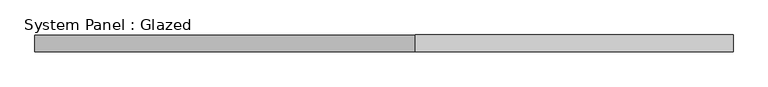
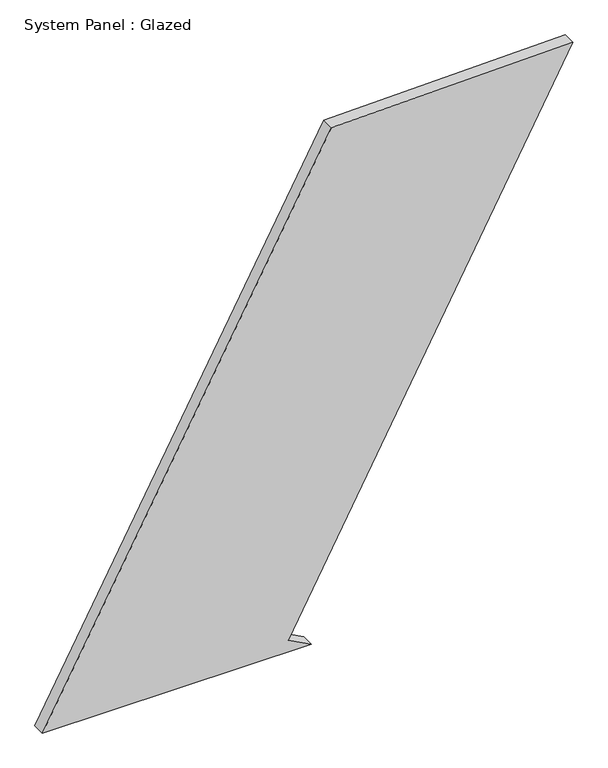
"""IFC4 building model written with IfcOpenShell, lengths in millimetres: plate geometry, System Panel : Glazed."""

from ifc_helpers import new_model, si_unit, frame, origin, place, context, project, spatial, polyline, outline, extrude, source, transform, mapped, element, save


def system_panel_glazed_dff83c22(model_context):
    return source(origin(), model_context, "Body", "SweptSolid", [
        extrude(outline(polyline([(0.0, -515.3244924), (0.0, 6.8236277), (23.5545341, -37.2806116), (1058.2694494, 515.3244924), (1047.3439938, 46.2443935), (0.0, -515.3244924)])), frame((0.0, -49.5, 0.0), z_axis=(0.0, 1.0, 0.0), x_axis=(0.0, 0.0, 1.0)), (0.0, 0.0, 1.0), 25.0),
    ])


if __name__ == "__main__":
    model = new_model("IFC4")
    model_context = context("Model", 3, world=origin())
    ifc_project = project(units=[si_unit("LENGTHUNIT", "METRE", prefix="MILLI")], contexts=[model_context])
    site = spatial("IfcSite", under=ifc_project)
    building = spatial("IfcBuilding", under=site)
    placement = place(None, origin())
    system_panel_glazed_shape = system_panel_glazed_dff83c22(model_context)
    element("IfcPlate", 1, ObjectType="System Panel : Glazed", at=placement, inside=building, context=model_context, shape_type="MappedRepresentation", body=[
        mapped(system_panel_glazed_shape, transform((0.0, 0.0, 0.0), x_axis=(1.0, 0.0, 0.0), y_axis=(0.0, 1.0, 0.0), z_axis=(0.0, 0.0, 1.0))),
    ])
    save(model, "model.ifc")
